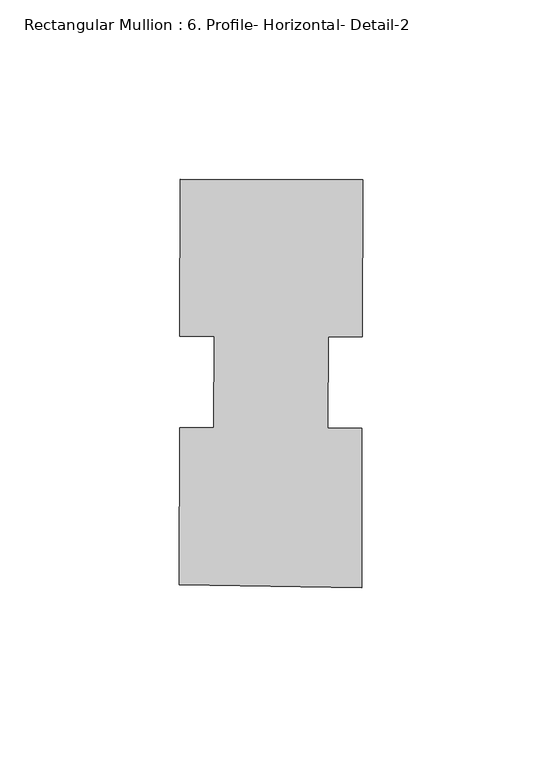
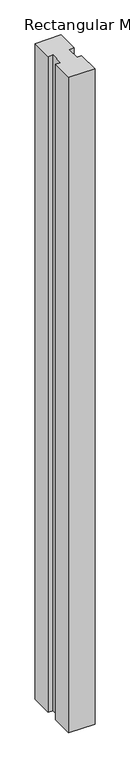
"""IFC4 building model written with IfcOpenShell, lengths in millimetres: member geometry, Rectangular Mullion : 6. Profile- Horizontal- Detail-2."""

from ifc_helpers import new_model, si_unit, frame, origin, place, context, project, spatial, polyline, outline, extrude, source, transform, mapped, element, save


def rectangular_mullion_6_profile_horizontal_detail_2_c87e3a7c(model_context):
    return source(origin(), model_context, "Body", "SweptSolid", [
        extrude(outline(polyline([(25.53265, -57.210406), (-25.2655969, -56.4194057), (-25.1603942, -12.6117643), (-15.6354217, -12.6346382), (-15.5742139, 12.8529867), (-25.0991864, 12.8758606), (-24.9940376, 56.6610682), (25.8058159, 56.5390739), (25.7006671, 12.7538663), (16.1756945, 12.7767402), (16.1144868, -12.7108847), (25.6394593, -12.7337586), (25.53265, -57.210406)])), frame((0.0, 0.0, -1339.85), z_axis=(0.0, 0.0, 1.0), x_axis=(1.0, 0.0, 0.0)), (0.0, 0.0, 1.0), 1339.85),
    ])


if __name__ == "__main__":
    model = new_model("IFC4")
    model_context = context("Model", 3, world=origin())
    ifc_project = project(units=[si_unit("LENGTHUNIT", "METRE", prefix="MILLI")], contexts=[model_context])
    site = spatial("IfcSite", under=ifc_project)
    building = spatial("IfcBuilding", under=site)
    placement = place(None, origin())
    rectangular_mullion_6_profile_horizontal_detail_2_shape = rectangular_mullion_6_profile_horizontal_detail_2_c87e3a7c(model_context)
    element("IfcMember", 1, ObjectType="Rectangular Mullion : 6. Profile- Horizontal- Detail-2", at=placement, inside=building, context=model_context, shape_type="MappedRepresentation", body=[
        mapped(rectangular_mullion_6_profile_horizontal_detail_2_shape, transform((0.0, 0.0, 0.0), x_axis=(1.0, 0.0, 0.0), y_axis=(0.0, 1.0, 0.0), z_axis=(0.0, 0.0, 1.0))),
    ])
    save(model, "model.ifc")
